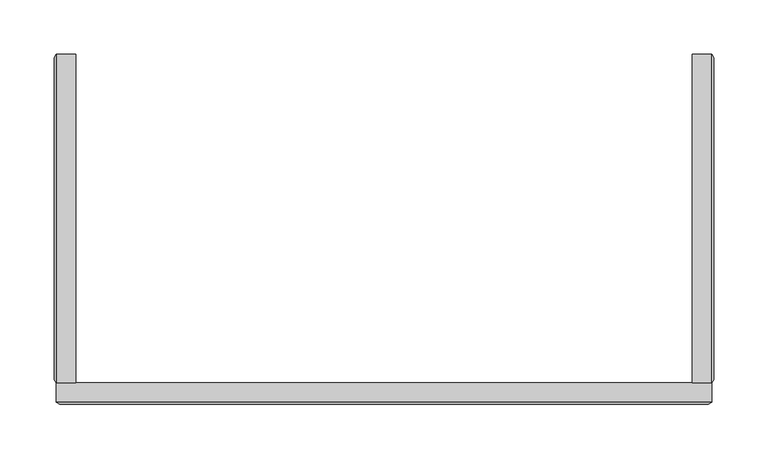
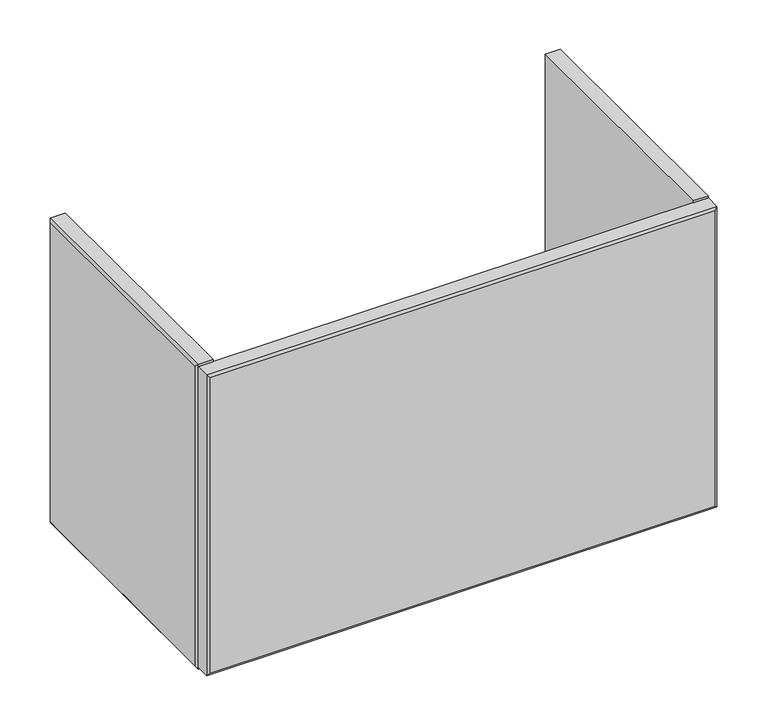
"""IFC4 building model written with IfcOpenShell, lengths in millimetres: furniture geometry."""

from ifc_helpers import new_model, si_unit, origin, place, context, project, spatial, faceted_brep, source, transform, mapped, element, save


def furniture_71b0f415(model_context):
    return source(origin(), model_context, "Body", "Brep", [
        faceted_brep([(-282.888965, -324.2665622, 506.11532), (-265.1648424, -324.2665622, 506.11532), (-265.1648424, -324.2665622, 887.11532), (-282.888965, -324.2665622, 887.11532), (-282.888965, -21.75256, 887.11532), (-265.1648424, -21.75256, 887.11532), (-265.1648424, -21.75256, 506.11532), (-282.888965, -21.75256, 506.11532), (-284.722842, -24.9275601, 883.9345502), (-284.722842, -321.0915561, 883.9345502), (-284.722842, -24.9275601, 509.2960899), (-284.722842, -321.0915561, 509.2960899)], [[[0, 1, 2, 3]], [[4, 5, 6, 7]], [[3, 4, 8, 9]], [[9, 8, 10, 11]], [[1, 0, 7, 6]], [[2, 1, 6, 5]], [[3, 2, 5, 4]], [[7, 0, 11, 10]], [[4, 7, 10, 8]], [[0, 3, 9, 11]]]),
        faceted_brep([(302.6369231, -324.2665622, 506.11532), (320.3643748, -324.2665622, 506.11532), (320.3643748, -324.2665622, 887.11532), (302.6369231, -324.2665622, 887.11532), (302.6369231, -21.75256, 506.11532), (302.6369231, -21.75256, 887.11532), (320.3643748, -21.75256, 887.11532), (320.3643748, -21.75256, 506.11532), (322.1982518, -321.0915561, 509.2960899), (322.1982518, -24.9275601, 509.2960899), (322.1982518, -24.9275601, 883.9345502), (322.1982518, -321.0915561, 883.9345502)], [[[0, 1, 2, 3]], [[4, 5, 6, 7]], [[8, 9, 10, 11]], [[6, 2, 11, 10]], [[3, 2, 6, 5]], [[0, 3, 5, 4]], [[1, 0, 4, 7]], [[1, 7, 9, 8]], [[2, 1, 8, 11]], [[7, 6, 10, 9]]]),
        faceted_brep([(-282.888965, -341.9906802, 884.7658086), (-282.888965, -324.2665622, 884.7658086), (-282.888965, -324.2665622, 508.4648314), (-282.888965, -341.9906802, 508.4648314), (320.3643748, -341.9906802, 508.4648314), (320.3643748, -324.2665622, 508.4648314), (320.3643748, -324.2665622, 884.7658086), (320.3643748, -341.9906802, 884.7658086), (-279.7139635, -343.8166225, 881.5908207), (317.1893733, -343.8166225, 881.5908207), (317.1893733, -343.8166225, 511.6398193), (-279.7139635, -343.8166225, 511.6398193)], [[[0, 1, 2, 3]], [[4, 5, 6, 7]], [[7, 0, 8, 9]], [[1, 0, 7, 6]], [[2, 1, 6, 5]], [[3, 2, 5, 4]], [[3, 4, 10, 11]], [[9, 8, 11, 10]], [[4, 7, 9, 10]], [[0, 3, 11, 8]]]),
    ])


if __name__ == "__main__":
    model = new_model("IFC4")
    model_context = context("Model", 3, world=origin())
    ifc_project = project(units=[si_unit("LENGTHUNIT", "METRE", prefix="MILLI")], contexts=[model_context])
    site = spatial("IfcSite", under=ifc_project)
    building = spatial("IfcBuilding", under=site)
    placement = place(None, origin())
    furniture_shape = furniture_71b0f415(model_context)
    element("IfcFurniture", 1, at=placement, inside=building, context=model_context, shape_type="MappedRepresentation", body=[
        mapped(furniture_shape, transform((0.0, 0.0, 0.0), x_axis=(1.0, 0.0, 0.0), y_axis=(0.0, 1.0, 0.0), z_axis=(0.0, 0.0, 1.0))),
    ])
    save(model, "model.ifc")
